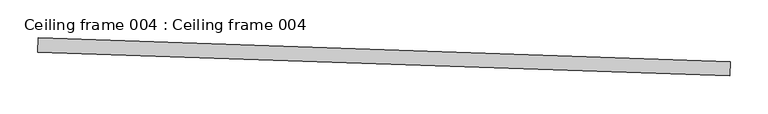
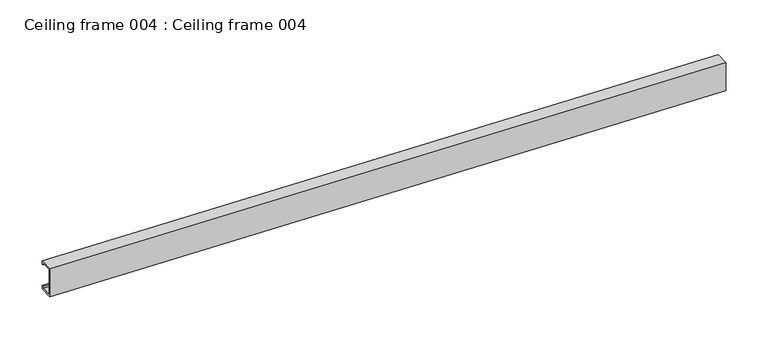
"""IFC4 building model written with IfcOpenShell, lengths in millimetres: proxy geometry, Ceiling frame 004 : Ceiling frame 004."""

import ifcopenshell
import ifcopenshell.guid

model = None  # the IFC model being written
_history = None  # IfcOwnerHistory: only IFC2X3 demands one
_inside = {}  # id of a spatial element -> (the spatial element, [elements in it])
_under = {}  # id of a project, library or spatial element -> (it, [spatial elements below it])
_declared = {}  # id of a project -> (the project, [libraries it declares])
_typed = {}  # id of a type object -> (the type object, [elements of that type])
_made_of = {}  # id of a material, layer set ... -> (it, [elements and type objects made of it])


def new_model(schema):
    """Start an empty IFC model of exactly this schema.

    Asked for "IFC4X3", IfcOpenShell would pick the latest addendum, in which some entities
    have other attributes; the version numbers below select the first issue.
    IFC2X3 requires an IfcOwnerHistory on every rooted entity: one is made here for all.
    """
    global model, _history
    if schema == "IFC4X3":
        model = ifcopenshell.file(schema_version=(4, 3, 0, 0))
    else:
        model = ifcopenshell.file(schema=schema)
    _inside.clear()
    _under.clear()
    _declared.clear()
    _typed.clear()
    _made_of.clear()
    _history = None
    if model.schema == "IFC2X3":
        org = make("IfcOrganization", Name="unknown")
        user = make(
            "IfcPersonAndOrganization",
            ThePerson=make("IfcPerson", FamilyName="unknown"),
            TheOrganization=org,
        )
        app = make(
            "IfcApplication",
            ApplicationDeveloper=org,
            Version="unknown",
            ApplicationFullName="unknown",
            ApplicationIdentifier="unknown",
        )
        _history = make(
            "IfcOwnerHistory",
            OwningUser=user,
            OwningApplication=app,
            ChangeAction="ADDED",
            CreationDate=0,
        )
    return model


def make(cls, **values):
    """One entity of the class cls with the attributes given. An attribute that is None is left unset."""
    return model.create_entity(
        cls, **{name: value for name, value in values.items() if value is not None}
    )


def rooted(cls, **values):
    """An entity with a GlobalId (a new one), such as an element, a storey or a relation."""
    return make(cls, GlobalId=ifcopenshell.guid.new(), OwnerHistory=_history, **values)


def si_unit(unit_type, name, prefix=None):
    """IfcSIUnit, for example si_unit("LENGTHUNIT", "METRE", prefix="MILLI")."""
    return make("IfcSIUnit", UnitType=unit_type, Prefix=prefix, Name=name)


def assignment(units):
    """IfcUnitAssignment: the units of a project."""
    return None if units is None else make("IfcUnitAssignment", Units=units)


def point(xyz):
    """IfcCartesianPoint."""
    return None if xyz is None else make("IfcCartesianPoint", Coordinates=xyz)


def direction(xyz):
    """IfcDirection."""
    return None if xyz is None else make("IfcDirection", DirectionRatios=xyz)


def frame(location, z_axis=None, x_axis=None):
    """IfcAxis2Placement3D, a coordinate frame: its origin and axes. An axis left out is left unset."""
    return make(
        "IfcAxis2Placement3D",
        Location=point(location),
        Axis=direction(z_axis),
        RefDirection=direction(x_axis),
    )


def origin():
    """The frame at (0, 0, 0) with its axes left unset."""
    return frame((0.0, 0.0, 0.0))


def place(relative_to, where):
    """IfcLocalPlacement: puts the frame where relative to a parent placement (None: the world)."""
    return make(
        "IfcLocalPlacement", PlacementRelTo=relative_to, RelativePlacement=where
    )


def context(
    kind, dimensions, precision=None, world=None, true_north=None, identifier=None
):
    """IfcGeometricRepresentationContext, for example the 3D "Model" context."""
    return make(
        "IfcGeometricRepresentationContext",
        ContextIdentifier=identifier,
        ContextType=kind,
        CoordinateSpaceDimension=dimensions,
        Precision=precision,
        WorldCoordinateSystem=world,
        TrueNorth=true_north,
    )


def project(units=None, contexts=None):
    """IfcProject with its units and contexts."""
    return rooted(
        "IfcProject",
        Name="project",
        RepresentationContexts=contexts,
        UnitsInContext=assignment(units),
    )


def spatial(cls, under=None, at=None, **own):
    """A site, building, storey or space (cls), placed at a placement, below another one or the project."""
    s = rooted(cls, ObjectPlacement=at, **own)
    if under is not None:
        _under.setdefault(under.id(), (under, []))[1].append(s)
    return s


def polyline(points):
    """IfcPolyline through the points."""
    return make("IfcPolyline", Points=[point(p) for p in points])


def outline(outer, holes=None, kind="AREA"):
    """IfcArbitraryClosedProfileDef: a profile drawn as a closed curve; with holes, ...WithVoids."""
    if holes is None:
        return make("IfcArbitraryClosedProfileDef", ProfileType=kind, OuterCurve=outer)
    return make(
        "IfcArbitraryProfileDefWithVoids",
        ProfileType=kind,
        OuterCurve=outer,
        InnerCurves=holes,
    )


def extrude(swept, where, along, depth):
    """IfcExtrudedAreaSolid: the profile swept, set in the frame where, extruded along a direction by depth."""
    return make(
        "IfcExtrudedAreaSolid",
        SweptArea=swept,
        Position=where,
        ExtrudedDirection=direction(along),
        Depth=depth,
    )


def shape(context_of_items, identifier, shape_type, items):
    """IfcShapeRepresentation: the items that make up one representation, for example the "Body"."""
    return make(
        "IfcShapeRepresentation",
        ContextOfItems=context_of_items,
        RepresentationIdentifier=identifier,
        RepresentationType=shape_type,
        Items=items,
    )


def source(mapping_origin, context_of_items, identifier, shape_type, items):
    """IfcRepresentationMap: a shape defined once, which mapped items show again and again."""
    return make(
        "IfcRepresentationMap",
        MappingOrigin=mapping_origin,
        MappedRepresentation=shape(context_of_items, identifier, shape_type, items),
    )


def transform(
    local_origin,
    x_axis=None,
    y_axis=None,
    z_axis=None,
    scale=None,
    scale2=None,
    scale3=None,
    uniform=True,
):
    """IfcCartesianTransformationOperator3D, or its non-uniform kind. x_axis, y_axis, z_axis: its Axis1, 2, 3."""
    if uniform:
        return make(
            "IfcCartesianTransformationOperator3D",
            Axis1=direction(x_axis),
            Axis2=direction(y_axis),
            LocalOrigin=point(local_origin),
            Scale=scale,
            Axis3=direction(z_axis),
        )
    return make(
        "IfcCartesianTransformationOperator3DnonUniform",
        Axis1=direction(x_axis),
        Axis2=direction(y_axis),
        LocalOrigin=point(local_origin),
        Scale=scale,
        Axis3=direction(z_axis),
        Scale2=scale2,
        Scale3=scale3,
    )


def mapped(mapping_source, mapping_target):
    """IfcMappedItem: shows the shape of a source again, moved by a transform."""
    return make(
        "IfcMappedItem", MappingSource=mapping_source, MappingTarget=mapping_target
    )


def made_of(thing, what):
    """Note that an element or type object is made of a material, layer set ...; save() writes the relation."""
    if what is not None:
        _made_of.setdefault(what.id(), (what, []))[1].append(thing)
    return thing


def element(
    cls,
    number,
    at=None,
    inside=None,
    cuts=None,
    type_object=None,
    material=None,
    context=None,
    identifier="Body",
    shape_type=None,
    held_by="IfcProductDefinitionShape",
    body=None,
    shapes=None,
    **own,
):
    """One element of the class cls, such as IfcWall. Its Tag is "e" and its number.

    at: its placement. inside: the storey or other place that contains it. cuts: it is an
    opening in that element (IfcRelVoidsElement). A single representation is given by context,
    identifier, shape_type and body (its items); several are given by shapes. held_by: the class
    of the entity that holds the representations. save() writes the other relations.
    """
    e = rooted(cls, Tag="e%d" % number, ObjectPlacement=at, **own)
    if body is not None:
        shapes = [shape(context, identifier, shape_type, body)]
    if shapes is not None:
        e.Representation = make(held_by, Representations=shapes)
    if inside is not None:
        _inside.setdefault(inside.id(), (inside, []))[1].append(e)
    if cuts is not None:
        rooted(
            "IfcRelVoidsElement", RelatingBuildingElement=cuts, RelatedOpeningElement=e
        )
    if type_object is not None:
        _typed.setdefault(type_object.id(), (type_object, []))[1].append(e)
    return made_of(e, material)


def aggregate(whole, parts):
    """IfcRelAggregates: a whole, such as a stair, and the parts it consists of."""
    return rooted("IfcRelAggregates", RelatingObject=whole, RelatedObjects=parts)


def save(model, path):
    """Write the relations noted so far, then the file.

    IfcRelAggregates (storeys below a building ...), IfcRelContainedInSpatialStructure (elements
    in a storey), IfcRelDefinesByType, IfcRelAssociatesMaterial and IfcRelDeclares: one each for
    every whole, place, type object, material and project.
    """
    for whole, parts in _under.values():
        aggregate(whole, parts)
    for where, things in _inside.values():
        rooted(
            "IfcRelContainedInSpatialStructure",
            RelatedElements=things,
            RelatingStructure=where,
        )
    for kind, things in _typed.values():
        rooted("IfcRelDefinesByType", RelatedObjects=things, RelatingType=kind)
    for what, things in _made_of.values():
        rooted("IfcRelAssociatesMaterial", RelatedObjects=things, RelatingMaterial=what)
    for by, libraries in _declared.values():
        rooted("IfcRelDeclares", RelatingContext=by, RelatedDefinitions=libraries)
    model.write(path)


def ceiling_frame_004_ceiling_frame_004_55559dfb(model_context):
    return source(origin(), model_context, "Body", "SweptSolid", [
        extrude(outline(polyline([(1.822266, 0.0), (1.822266, -4.7988281), (-17.0253902, -4.7988281), (-17.0253902, 35.8222645), (1.8222636, 35.8222645), (1.8222636, 31.0234375), (-1.8e-06, 31.0234375), (-1.8e-06, 33.999999), (-15.2031248, 33.999999), (-15.2031248, -2.9765626), (0.0, -2.9765626), (0.0, 0.0), (1.822266, 0.0)])), frame((34313.161115, -16680.64749, 3083.6498026), z_axis=(-0.999414947916333, 0.0342017818452988, 0.0), x_axis=(0.0342017818452988, 0.999414947916333, 0.0)), (0.0, 0.0, 1.0), 914.3999924),
    ])


if __name__ == "__main__":
    model = new_model("IFC4")
    model_context = context("Model", 3, world=origin())
    ifc_project = project(units=[si_unit("LENGTHUNIT", "METRE", prefix="MILLI")], contexts=[model_context])
    site = spatial("IfcSite", under=ifc_project)
    building = spatial("IfcBuilding", under=site)
    placement = place(None, origin())
    ceiling_frame_004_ceiling_frame_004_shape = ceiling_frame_004_ceiling_frame_004_55559dfb(model_context)
    element("IfcBuildingElementProxy", 1, Name="Ceiling frame 004 : Ceiling frame 004", ObjectType="Ceiling frame 004 : Ceiling frame 004", at=placement, inside=building, context=model_context, shape_type="MappedRepresentation", body=[
        mapped(ceiling_frame_004_ceiling_frame_004_shape, transform((0.0, 0.0, 0.0), x_axis=(1.0, 0.0, 0.0), y_axis=(0.0, 1.0, 0.0), z_axis=(0.0, 0.0, 1.0))),
    ])
    save(model, "model.ifc")
